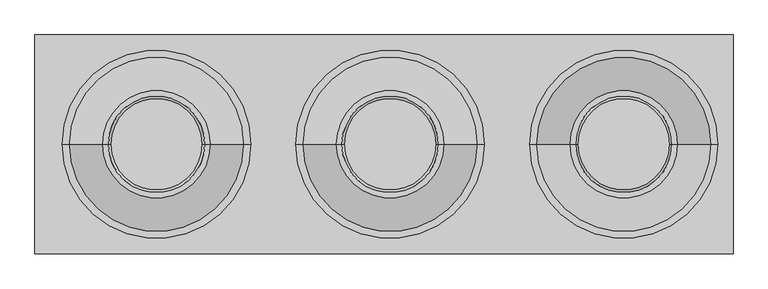
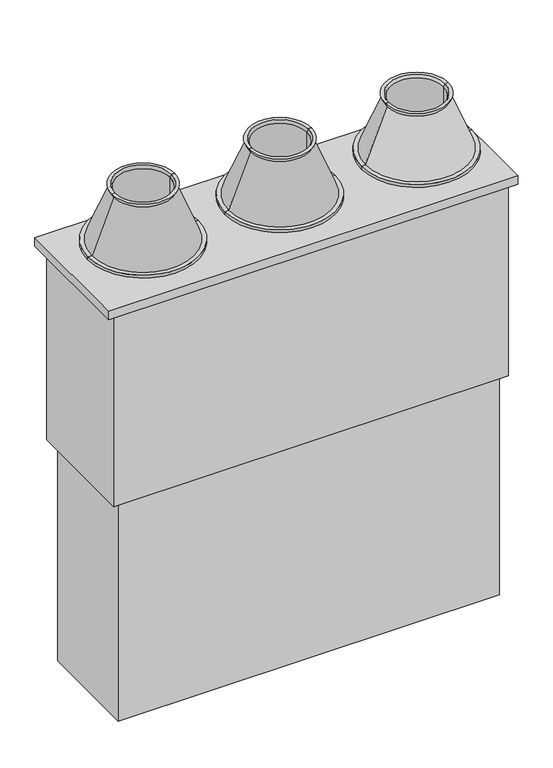
"""IFC4 building model written with IfcOpenShell, lengths in millimetres: proxy geometry."""

from ifc_helpers import new_model, si_unit, point, frame, frame_2d, origin, origin_with_axes, place, context, project, spatial, polyline, circle_curve, trimmed, segment, composite_curve, outline, extrude, source, transform, mapped, element, save
from ifc_brep_helpers import plane_surface, cylinder_surface, revolved_surface, advanced_brep


def specialty_equipment_88ef6bea(model_context):
    return source(origin(), model_context, "Body", "SolidModel", [
        advanced_brep(
        [(-807.3879533, 0.0, 1530.0), (-602.6120467, 0.0, 1530.0), (-612.6120467, 0.0, 1530.0), (-797.3879533, 0.0, 1530.0), (-807.3879533, 0.0, 1731.9294371), (-602.6120467, 0.0, 1731.9294371), (-894.5236523, 0.0, 1565.0000007), (-515.4763477, 0.0, 1565.0000007), (-536.2378544, 0.0, 1565.0000007), (-873.7621456, 0.0, 1565.0000007), (-894.5236523, 0.0, 1575.0000007), (-515.4763477, 0.0, 1575.0000007), (-880.5474697, 0.0, 1575.0000007), (-529.4525303, 0.0, 1575.0000007), (-806.5743344, 0.0, 1761.0405891), (-603.4256656, 0.0, 1761.0405891), (-802.007355, 0.0, 1775.0000096), (-607.992645, 0.0, 1775.0000096), (-596.9772542, 0.0, 1775.0000096), (-813.0227458, 0.0, 1775.0000096), (-797.3879533, 0.0, 1765.0000007), (-612.6120467, 0.0, 1765.0000007)],
        [
            (0, 1, circle_curve(frame((-705.0, 0.0, 1530.0), z_axis=(0.0, 0.0, -1.0), x_axis=(1.0, 0.0, 0.0)), 102.3879533)),
            (1, 2),
            (2, 3, circle_curve(frame((-705.0, 0.0, 1530.0), z_axis=(0.0, 0.0, 1.0), x_axis=(1.0, 0.0, 0.0)), 92.3879533)),
            (3, 0),
            (1, 0, circle_curve(frame((-705.0, 0.0, 1530.0), z_axis=(0.0, 0.0, -1.0), x_axis=(1.0, 0.0, 0.0)), 102.3879533)),
            (3, 2, circle_curve(frame((-705.0, 0.0, 1530.0), z_axis=(0.0, 0.0, 1.0), x_axis=(1.0, 0.0, 0.0)), 92.3879533)),
            (4, 5, circle_curve(frame((-705.0, 0.0, 1731.9294371), z_axis=(0.0, 0.0, -1.0), x_axis=(1.0, 0.0, 0.0)), 102.3879533)),
            (5, 1),
            (0, 4),
            (5, 4, circle_curve(frame((-705.0, 0.0, 1731.9294371), z_axis=(0.0, 0.0, -1.0), x_axis=(1.0, 0.0, 0.0)), 102.3879533)),
            (6, 7, circle_curve(frame((-705.0, 0.0, 1565.0000007), z_axis=(0.0, 0.0, -1.0), x_axis=(1.0, 0.0, 0.0)), 189.5236523)),
            (7, 8),
            (8, 9, circle_curve(frame((-705.0, 0.0, 1565.0000007), z_axis=(0.0, 0.0, 1.0), x_axis=(1.0, 0.0, 0.0)), 168.7621456)),
            (9, 6),
            (7, 6, circle_curve(frame((-705.0, 0.0, 1565.0000007), z_axis=(0.0, 0.0, -1.0), x_axis=(1.0, 0.0, 0.0)), 189.5236523)),
            (9, 8, circle_curve(frame((-705.0, 0.0, 1565.0000007), z_axis=(0.0, 0.0, 1.0), x_axis=(1.0, 0.0, 0.0)), 168.7621456)),
            (10, 11, circle_curve(frame((-705.0, 0.0, 1575.0000007), z_axis=(0.0, 0.0, -1.0), x_axis=(1.0, 0.0, 0.0)), 189.5236523)),
            (11, 7),
            (6, 10),
            (11, 10, circle_curve(frame((-705.0, 0.0, 1575.0000007), z_axis=(0.0, 0.0, -1.0), x_axis=(1.0, 0.0, 0.0)), 189.5236523)),
            (12, 13, circle_curve(frame((-705.0, 0.0, 1575.0000007), z_axis=(0.0, 0.0, -1.0), x_axis=(1.0, 0.0, 0.0)), 175.5474697)),
            (13, 11),
            (10, 12),
            (13, 12, circle_curve(frame((-705.0, 0.0, 1575.0000007), z_axis=(0.0, 0.0, -1.0), x_axis=(1.0, 0.0, 0.0)), 175.5474697)),
            (14, 15, circle_curve(frame((-705.0, 0.0, 1761.0405891), z_axis=(0.0, 0.0, -1.0), x_axis=(1.0, 0.0, 0.0)), 101.5743344)),
            (15, 13),
            (12, 14),
            (15, 14, circle_curve(frame((-705.0, 0.0, 1761.0405891), z_axis=(0.0, 0.0, -1.0), x_axis=(1.0, 0.0, 0.0)), 101.5743344)),
            (16, 17, circle_curve(frame((-705.0, 0.0, 1775.0000096), z_axis=(0.0, 0.0, -1.0), x_axis=(1.0, 0.0, 0.0)), 97.007355)),
            (17, 18),
            (18, 19, circle_curve(frame((-705.0, 0.0, 1775.0000096), z_axis=(0.0, 0.0, 1.0), x_axis=(1.0, 0.0, 0.0)), 108.0227458)),
            (19, 16),
            (17, 16, circle_curve(frame((-705.0, 0.0, 1775.0000096), z_axis=(0.0, 0.0, -1.0), x_axis=(1.0, 0.0, 0.0)), 97.007355)),
            (19, 18, circle_curve(frame((-705.0, 0.0, 1775.0000096), z_axis=(0.0, 0.0, 1.0), x_axis=(1.0, 0.0, 0.0)), 108.0227458)),
            (20, 21, circle_curve(frame((-705.0, 0.0, 1765.0000007), z_axis=(0.0, 0.0, -1.0), x_axis=(1.0, 0.0, 0.0)), 92.3879533)),
            (21, 17),
            (16, 20),
            (21, 20, circle_curve(frame((-705.0, 0.0, 1765.0000007), z_axis=(0.0, 0.0, -1.0), x_axis=(1.0, 0.0, 0.0)), 92.3879533)),
            (2, 21),
            (20, 3),
            (8, 5),
            (4, 9),
            (18, 15),
            (14, 19),
        ],
        [
            plane_surface(frame((-705.0, 0.0, 1530.0), z_axis=(0.0, 0.0, -1.0), x_axis=(1.0, 0.0, 0.0))),
            cylinder_surface(frame((-705.0, 0.0, 1515.0000096), z_axis=(0.0, 0.0, 1.0), x_axis=(1.0, 0.0, 0.0)), 102.3879533),
            plane_surface(frame((-705.0, 0.0, 1565.0000007), z_axis=(0.0, 0.0, -1.0), x_axis=(1.0, 0.0, 0.0))),
            cylinder_surface(frame((-705.0, 0.0, 1515.0000096), z_axis=(0.0, 0.0, 1.0), x_axis=(1.0, 0.0, 0.0)), 189.5236523),
            plane_surface(frame((-705.0, 0.0, 1575.0000007), z_axis=(0.0, 0.0, 1.0), x_axis=(1.0, 0.0, 0.0))),
            revolved_surface(polyline([(-529.4525303, 0.0, 1575.0000007), (-603.4256656, 0.0, 1761.0405891)]), (-705.0, 0.0, 1515.0000096), (0.0, 0.0, 1.0)),
            plane_surface(frame((-705.0, 0.0, 1775.0000096), z_axis=(0.0, 0.0, 1.0), x_axis=(1.0, 0.0, 0.0))),
            revolved_surface(polyline([(-607.992645, 0.0, 1775.0000096), (-612.6120467, 0.0, 1765.0000007)]), (-705.0, 0.0, 1515.0000096), (0.0, 0.0, 1.0)),
            revolved_surface(polyline([(-612.6120467, 0.0, 1765.0000007), (-612.6120467, 0.0, 1530.0)]), (-705.0, 0.0, 1515.0000096), (0.0, 0.0, 1.0)),
            revolved_surface(polyline([(-602.6120467, 0.0, 1731.9294371), (-536.2378544, 0.0, 1565.0000007)]), (-705.0, 0.0, 1515.0000096), (0.0, 0.0, 1.0)),
            revolved_surface(polyline([(-603.4256656, 0.0, 1761.0405891), (-596.9772542, 0.0, 1775.0000096)]), (-705.0, 0.0, 1515.0000096), (0.0, 0.0, 1.0)),
        ],
        [
            (0, [[1, 2, 3, 4]]),
            (0, [[5, -4, 6, -2]]),
            (1, [[7, 8, -1, 9]]),
            (1, [[10, -9, -5, -8]]),
            (2, [[11, 12, 13, 14]]),
            (2, [[15, -14, 16, -12]]),
            (3, [[17, 18, -11, 19]]),
            (3, [[20, -19, -15, -18]]),
            (4, [[21, 22, -17, 23]]),
            (4, [[24, -23, -20, -22]]),
            (5, [[25, 26, -21, 27]]),
            (5, [[28, -27, -24, -26]]),
            (6, [[29, 30, 31, 32]]),
            (6, [[33, -32, 34, -30]]),
            (7, [[35, 36, -29, 37]]),
            (7, [[38, -37, -33, -36]]),
            (8, [[-3, 39, -35, 40]]),
            (8, [[-6, -40, -38, -39]]),
            (9, [[-13, 41, -7, 42]]),
            (9, [[-16, -42, -10, -41]]),
            (10, [[-31, 43, -25, 44]]),
            (10, [[-34, -44, -28, -43]]),
        ],
    ),
        advanced_brep(
        [(337.3879533, 0.0, 1530.0), (327.3879533, 0.0, 1530.0), (142.6120467, 0.0, 1530.0), (132.6120467, 0.0, 1530.0), (337.3879533, 0.0, 1731.9294371), (132.6120467, 0.0, 1731.9294371), (424.5236523, 0.0, 1565.0000007), (403.7621456, 0.0, 1565.0000007), (66.2378544, 0.0, 1565.0000007), (45.4763477, 0.0, 1565.0000007), (424.5236523, 0.0, 1575.0000007), (45.4763477, 0.0, 1575.0000007), (410.5474697, 0.0, 1575.0000007), (59.4525303, 0.0, 1575.0000007), (336.5743344, 0.0, 1761.0405891), (133.4256656, 0.0, 1761.0405891), (332.007355, 0.0, 1775.0000096), (343.0227458, 0.0, 1775.0000096), (126.9772542, 0.0, 1775.0000096), (137.992645, 0.0, 1775.0000096), (327.3879533, 0.0, 1765.0000007), (142.6120467, 0.0, 1765.0000007)],
        [
            (0, 1),
            (1, 2, circle_curve(frame((235.0, 0.0, 1530.0), z_axis=(0.0, 0.0, 1.0), x_axis=(-1.0, 0.0, 0.0)), 92.3879533)),
            (2, 3),
            (3, 0, circle_curve(frame((235.0, 0.0, 1530.0), z_axis=(0.0, 0.0, -1.0), x_axis=(-1.0, 0.0, 0.0)), 102.3879533)),
            (2, 1, circle_curve(frame((235.0, 0.0, 1530.0), z_axis=(0.0, 0.0, 1.0), x_axis=(-1.0, 0.0, 0.0)), 92.3879533)),
            (0, 3, circle_curve(frame((235.0, 0.0, 1530.0), z_axis=(0.0, 0.0, -1.0), x_axis=(-1.0, 0.0, 0.0)), 102.3879533)),
            (4, 0),
            (3, 5),
            (5, 4, circle_curve(frame((235.0, 0.0, 1731.9294371), z_axis=(0.0, 0.0, -1.0), x_axis=(-1.0, 0.0, 0.0)), 102.3879533)),
            (4, 5, circle_curve(frame((235.0, 0.0, 1731.9294371), z_axis=(0.0, 0.0, -1.0), x_axis=(-1.0, 0.0, 0.0)), 102.3879533)),
            (6, 7),
            (7, 8, circle_curve(frame((235.0, 0.0, 1565.0000007), z_axis=(0.0, 0.0, 1.0), x_axis=(-1.0, 0.0, 0.0)), 168.7621456)),
            (8, 9),
            (9, 6, circle_curve(frame((235.0, 0.0, 1565.0000007), z_axis=(0.0, 0.0, -1.0), x_axis=(-1.0, 0.0, 0.0)), 189.5236523)),
            (8, 7, circle_curve(frame((235.0, 0.0, 1565.0000007), z_axis=(0.0, 0.0, 1.0), x_axis=(-1.0, 0.0, 0.0)), 168.7621456)),
            (6, 9, circle_curve(frame((235.0, 0.0, 1565.0000007), z_axis=(0.0, 0.0, -1.0), x_axis=(-1.0, 0.0, 0.0)), 189.5236523)),
            (10, 6),
            (9, 11),
            (11, 10, circle_curve(frame((235.0, 0.0, 1575.0000007), z_axis=(0.0, 0.0, -1.0), x_axis=(-1.0, 0.0, 0.0)), 189.5236523)),
            (10, 11, circle_curve(frame((235.0, 0.0, 1575.0000007), z_axis=(0.0, 0.0, -1.0), x_axis=(-1.0, 0.0, 0.0)), 189.5236523)),
            (12, 10),
            (11, 13),
            (13, 12, circle_curve(frame((235.0, 0.0, 1575.0000007), z_axis=(0.0, 0.0, -1.0), x_axis=(-1.0, 0.0, 0.0)), 175.5474697)),
            (12, 13, circle_curve(frame((235.0, 0.0, 1575.0000007), z_axis=(0.0, 0.0, -1.0), x_axis=(-1.0, 0.0, 0.0)), 175.5474697)),
            (14, 12),
            (13, 15),
            (15, 14, circle_curve(frame((235.0, 0.0, 1761.0405891), z_axis=(0.0, 0.0, -1.0), x_axis=(-1.0, 0.0, 0.0)), 101.5743344)),
            (14, 15, circle_curve(frame((235.0, 0.0, 1761.0405891), z_axis=(0.0, 0.0, -1.0), x_axis=(-1.0, 0.0, 0.0)), 101.5743344)),
            (16, 17),
            (17, 18, circle_curve(frame((235.0, 0.0, 1775.0000096), z_axis=(0.0, 0.0, 1.0), x_axis=(-1.0, 0.0, 0.0)), 108.0227458)),
            (18, 19),
            (19, 16, circle_curve(frame((235.0, 0.0, 1775.0000096), z_axis=(0.0, 0.0, -1.0), x_axis=(-1.0, 0.0, 0.0)), 97.007355)),
            (18, 17, circle_curve(frame((235.0, 0.0, 1775.0000096), z_axis=(0.0, 0.0, 1.0), x_axis=(-1.0, 0.0, 0.0)), 108.0227458)),
            (16, 19, circle_curve(frame((235.0, 0.0, 1775.0000096), z_axis=(0.0, 0.0, -1.0), x_axis=(-1.0, 0.0, 0.0)), 97.007355)),
            (20, 16),
            (19, 21),
            (21, 20, circle_curve(frame((235.0, 0.0, 1765.0000007), z_axis=(0.0, 0.0, -1.0), x_axis=(-1.0, 0.0, 0.0)), 92.3879533)),
            (20, 21, circle_curve(frame((235.0, 0.0, 1765.0000007), z_axis=(0.0, 0.0, -1.0), x_axis=(-1.0, 0.0, 0.0)), 92.3879533)),
            (1, 20),
            (21, 2),
            (7, 4),
            (5, 8),
            (17, 14),
            (15, 18),
        ],
        [
            plane_surface(frame((235.0, 0.0, 1530.0), z_axis=(0.0, 0.0, -1.0), x_axis=(-1.0, 0.0, 0.0))),
            cylinder_surface(frame((235.0, 0.0, 1515.0000096), z_axis=(0.0, 0.0, 1.0), x_axis=(-1.0, 0.0, 0.0)), 102.3879533),
            plane_surface(frame((235.0, 0.0, 1565.0000007), z_axis=(0.0, 0.0, -1.0), x_axis=(-1.0, 0.0, 0.0))),
            cylinder_surface(frame((235.0, 0.0, 1515.0000096), z_axis=(0.0, 0.0, 1.0), x_axis=(-1.0, 0.0, 0.0)), 189.5236523),
            plane_surface(frame((235.0, 0.0, 1575.0000007), z_axis=(0.0, 0.0, 1.0), x_axis=(-1.0, 0.0, 0.0))),
            revolved_surface(polyline([(59.4525303, 0.0, 1575.0000007), (133.4256656, 0.0, 1761.0405891)]), (235.0, 0.0, 1515.0000096), (0.0, 0.0, 1.0)),
            plane_surface(frame((235.0, 0.0, 1775.0000096), z_axis=(0.0, 0.0, 1.0), x_axis=(-1.0, 0.0, 0.0))),
            revolved_surface(polyline([(137.992645, 0.0, 1775.0000096), (142.6120467, 0.0, 1765.0000007)]), (235.0, 0.0, 1515.0000096), (0.0, 0.0, 1.0)),
            revolved_surface(polyline([(142.6120467, 0.0, 1765.0000007), (142.6120467, 0.0, 1530.0)]), (235.0, 0.0, 1515.0000096), (0.0, 0.0, 1.0)),
            revolved_surface(polyline([(132.6120467, 0.0, 1731.9294371), (66.2378544, 0.0, 1565.0000007)]), (235.0, 0.0, 1515.0000096), (0.0, 0.0, 1.0)),
            revolved_surface(polyline([(133.4256656, 0.0, 1761.0405891), (126.9772542, 0.0, 1775.0000096)]), (235.0, 0.0, 1515.0000096), (0.0, 0.0, 1.0)),
        ],
        [
            (0, [[1, 2, 3, 4]]),
            (0, [[-3, 5, -1, 6]]),
            (1, [[7, -4, 8, 9]]),
            (1, [[-8, -6, -7, 10]]),
            (2, [[11, 12, 13, 14]]),
            (2, [[-13, 15, -11, 16]]),
            (3, [[17, -14, 18, 19]]),
            (3, [[-18, -16, -17, 20]]),
            (4, [[21, -19, 22, 23]]),
            (4, [[-22, -20, -21, 24]]),
            (5, [[25, -23, 26, 27]]),
            (5, [[-26, -24, -25, 28]]),
            (6, [[29, 30, 31, 32]]),
            (6, [[-31, 33, -29, 34]]),
            (7, [[35, -32, 36, 37]]),
            (7, [[-36, -34, -35, 38]]),
            (8, [[39, -37, 40, -2]]),
            (8, [[-40, -38, -39, -5]]),
            (9, [[41, -9, 42, -12]]),
            (9, [[-42, -10, -41, -15]]),
            (10, [[43, -27, 44, -30]]),
            (10, [[-44, -28, -43, -33]]),
        ],
    ),
        advanced_brep(
        [(-337.3879533, 0.0, 1530.0), (-132.6120467, 0.0, 1530.0), (-142.6120467, 0.0, 1530.0), (-327.3879533, 0.0, 1530.0), (-337.3879533, 0.0, 1731.9294371), (-132.6120467, 0.0, 1731.9294371), (-424.5236523, 0.0, 1565.0000007), (-45.4763477, 0.0, 1565.0000007), (-66.2378544, 0.0, 1565.0000007), (-403.7621456, 0.0, 1565.0000007), (-424.5236523, 0.0, 1575.0000007), (-45.4763477, 0.0, 1575.0000007), (-410.5474697, 0.0, 1575.0000007), (-59.4525303, 0.0, 1575.0000007), (-336.5743344, 0.0, 1761.0405891), (-133.4256656, 0.0, 1761.0405891), (-332.007355, 0.0, 1775.0000096), (-137.992645, 0.0, 1775.0000096), (-126.9772542, 0.0, 1775.0000096), (-343.0227458, 0.0, 1775.0000096), (-327.3879533, 0.0, 1765.0000007), (-142.6120467, 0.0, 1765.0000007)],
        [
            (0, 1, circle_curve(frame((-235.0, 0.0, 1530.0), z_axis=(0.0, 0.0, -1.0), x_axis=(1.0, 0.0, 0.0)), 102.3879533)),
            (1, 2),
            (2, 3, circle_curve(frame((-235.0, 0.0, 1530.0), z_axis=(0.0, 0.0, 1.0), x_axis=(1.0, 0.0, 0.0)), 92.3879533)),
            (3, 0),
            (1, 0, circle_curve(frame((-235.0, 0.0, 1530.0), z_axis=(0.0, 0.0, -1.0), x_axis=(1.0, 0.0, 0.0)), 102.3879533)),
            (3, 2, circle_curve(frame((-235.0, 0.0, 1530.0), z_axis=(0.0, 0.0, 1.0), x_axis=(1.0, 0.0, 0.0)), 92.3879533)),
            (4, 5, circle_curve(frame((-235.0, 0.0, 1731.9294371), z_axis=(0.0, 0.0, -1.0), x_axis=(1.0, 0.0, 0.0)), 102.3879533)),
            (5, 1),
            (0, 4),
            (5, 4, circle_curve(frame((-235.0, 0.0, 1731.9294371), z_axis=(0.0, 0.0, -1.0), x_axis=(1.0, 0.0, 0.0)), 102.3879533)),
            (6, 7, circle_curve(frame((-235.0, 0.0, 1565.0000007), z_axis=(0.0, 0.0, -1.0), x_axis=(1.0, 0.0, 0.0)), 189.5236523)),
            (7, 8),
            (8, 9, circle_curve(frame((-235.0, 0.0, 1565.0000007), z_axis=(0.0, 0.0, 1.0), x_axis=(1.0, 0.0, 0.0)), 168.7621456)),
            (9, 6),
            (7, 6, circle_curve(frame((-235.0, 0.0, 1565.0000007), z_axis=(0.0, 0.0, -1.0), x_axis=(1.0, 0.0, 0.0)), 189.5236523)),
            (9, 8, circle_curve(frame((-235.0, 0.0, 1565.0000007), z_axis=(0.0, 0.0, 1.0), x_axis=(1.0, 0.0, 0.0)), 168.7621456)),
            (10, 11, circle_curve(frame((-235.0, 0.0, 1575.0000007), z_axis=(0.0, 0.0, -1.0), x_axis=(1.0, 0.0, 0.0)), 189.5236523)),
            (11, 7),
            (6, 10),
            (11, 10, circle_curve(frame((-235.0, 0.0, 1575.0000007), z_axis=(0.0, 0.0, -1.0), x_axis=(1.0, 0.0, 0.0)), 189.5236523)),
            (12, 13, circle_curve(frame((-235.0, 0.0, 1575.0000007), z_axis=(0.0, 0.0, -1.0), x_axis=(1.0, 0.0, 0.0)), 175.5474697)),
            (13, 11),
            (10, 12),
            (13, 12, circle_curve(frame((-235.0, 0.0, 1575.0000007), z_axis=(0.0, 0.0, -1.0), x_axis=(1.0, 0.0, 0.0)), 175.5474697)),
            (14, 15, circle_curve(frame((-235.0, 0.0, 1761.0405891), z_axis=(0.0, 0.0, -1.0), x_axis=(1.0, 0.0, 0.0)), 101.5743344)),
            (15, 13),
            (12, 14),
            (15, 14, circle_curve(frame((-235.0, 0.0, 1761.0405891), z_axis=(0.0, 0.0, -1.0), x_axis=(1.0, 0.0, 0.0)), 101.5743344)),
            (16, 17, circle_curve(frame((-235.0, 0.0, 1775.0000096), z_axis=(0.0, 0.0, -1.0), x_axis=(1.0, 0.0, 0.0)), 97.007355)),
            (17, 18),
            (18, 19, circle_curve(frame((-235.0, 0.0, 1775.0000096), z_axis=(0.0, 0.0, 1.0), x_axis=(1.0, 0.0, 0.0)), 108.0227458)),
            (19, 16),
            (17, 16, circle_curve(frame((-235.0, 0.0, 1775.0000096), z_axis=(0.0, 0.0, -1.0), x_axis=(1.0, 0.0, 0.0)), 97.007355)),
            (19, 18, circle_curve(frame((-235.0, 0.0, 1775.0000096), z_axis=(0.0, 0.0, 1.0), x_axis=(1.0, 0.0, 0.0)), 108.0227458)),
            (20, 21, circle_curve(frame((-235.0, 0.0, 1765.0000007), z_axis=(0.0, 0.0, -1.0), x_axis=(1.0, 0.0, 0.0)), 92.3879533)),
            (21, 17),
            (16, 20),
            (21, 20, circle_curve(frame((-235.0, 0.0, 1765.0000007), z_axis=(0.0, 0.0, -1.0), x_axis=(1.0, 0.0, 0.0)), 92.3879533)),
            (2, 21),
            (20, 3),
            (8, 5),
            (4, 9),
            (18, 15),
            (14, 19),
        ],
        [
            plane_surface(frame((-235.0, 0.0, 1530.0), z_axis=(0.0, 0.0, -1.0), x_axis=(1.0, 0.0, 0.0))),
            cylinder_surface(frame((-235.0, 0.0, 1515.0000096), z_axis=(0.0, 0.0, 1.0), x_axis=(1.0, 0.0, 0.0)), 102.3879533),
            plane_surface(frame((-235.0, 0.0, 1565.0000007), z_axis=(0.0, 0.0, -1.0), x_axis=(1.0, 0.0, 0.0))),
            cylinder_surface(frame((-235.0, 0.0, 1515.0000096), z_axis=(0.0, 0.0, 1.0), x_axis=(1.0, 0.0, 0.0)), 189.5236523),
            plane_surface(frame((-235.0, 0.0, 1575.0000007), z_axis=(0.0, 0.0, 1.0), x_axis=(1.0, 0.0, 0.0))),
            revolved_surface(polyline([(-59.4525303, 0.0, 1575.0000007), (-133.4256656, 0.0, 1761.0405891)]), (-235.0, 0.0, 1515.0000096), (0.0, 0.0, 1.0)),
            plane_surface(frame((-235.0, 0.0, 1775.0000096), z_axis=(0.0, 0.0, 1.0), x_axis=(1.0, 0.0, 0.0))),
            revolved_surface(polyline([(-137.992645, 0.0, 1775.0000096), (-142.6120467, 0.0, 1765.0000007)]), (-235.0, 0.0, 1515.0000096), (0.0, 0.0, 1.0)),
            revolved_surface(polyline([(-142.6120467, 0.0, 1765.0000007), (-142.6120467, 0.0, 1530.0)]), (-235.0, 0.0, 1515.0000096), (0.0, 0.0, 1.0)),
            revolved_surface(polyline([(-132.6120467, 0.0, 1731.9294371), (-66.2378544, 0.0, 1565.0000007)]), (-235.0, 0.0, 1515.0000096), (0.0, 0.0, 1.0)),
            revolved_surface(polyline([(-133.4256656, 0.0, 1761.0405891), (-126.9772542, 0.0, 1775.0000096)]), (-235.0, 0.0, 1515.0000096), (0.0, 0.0, 1.0)),
        ],
        [
            (0, [[1, 2, 3, 4]]),
            (0, [[5, -4, 6, -2]]),
            (1, [[7, 8, -1, 9]]),
            (1, [[10, -9, -5, -8]]),
            (2, [[11, 12, 13, 14]]),
            (2, [[15, -14, 16, -12]]),
            (3, [[17, 18, -11, 19]]),
            (3, [[20, -19, -15, -18]]),
            (4, [[21, 22, -17, 23]]),
            (4, [[24, -23, -20, -22]]),
            (5, [[25, 26, -21, 27]]),
            (5, [[28, -27, -24, -26]]),
            (6, [[29, 30, 31, 32]]),
            (6, [[33, -32, 34, -30]]),
            (7, [[35, 36, -29, 37]]),
            (7, [[38, -37, -33, -36]]),
            (8, [[-3, 39, -35, 40]]),
            (8, [[-6, -40, -38, -39]]),
            (9, [[-13, 41, -7, 42]]),
            (9, [[-16, -42, -10, -41]]),
            (10, [[-31, 43, -25, 44]]),
            (10, [[-34, -44, -28, -43]]),
        ],
    ),
        extrude(outline(composite_curve([segment(trimmed(circle_curve(frame_2d((-705.0, 0.0)), 80.0), [point((-785.0, 0.0))], [point((-625.0, 0.0))], False, "CARTESIAN"), True, "CONTINUOUS"), segment(trimmed(circle_curve(frame_2d((-705.0, 0.0)), 80.0), [point((-625.0, 0.0))], [point((-785.0, 0.0))], False, "CARTESIAN"), True, "CONTINUOUS")], self_intersect=False), holes=[composite_curve([segment(trimmed(circle_curve(frame_2d((-705.0, 0.0)), 70.0), [point((-775.0, 0.0))], [point((-635.0, 0.0))], True, "CARTESIAN"), True, "CONTINUOUS"), segment(trimmed(circle_curve(frame_2d((-705.0, 0.0)), 70.0), [point((-635.0, 0.0))], [point((-775.0, 0.0))], True, "CARTESIAN"), True, "CONTINUOUS")], self_intersect=False)]), origin_with_axes(), (0.0, 0.0, 1.0), 1500.0),
        extrude(outline(polyline([(415.0, 180.0), (415.0, -180.0), (-895.0, -180.0), (-895.0, 180.0), (415.0, 180.0)]), holes=[composite_curve([segment(polyline([(-832.8215491, -57.110871), (-846.4213562, -70.7106781), (-846.4213562, -98.9949494), (-803.9949494, -141.4213562), (-775.7106781, -141.4213562), (-762.110871, -127.8215491)]), True, "CONTINUOUS"), segment(trimmed(circle_curve(frame_2d((-705.0, 0.0)), 140.0), [point((-762.110871, -127.8215491))], [point((-647.889129, -127.8215491))], True, "CARTESIAN"), True, "CONTINUOUS"), segment(polyline([(-647.889129, -127.8215491), (-634.2893219, -141.4213562), (-606.0050506, -141.4213562), (-563.5786438, -98.9949494), (-563.5786438, -70.7106781), (-577.1784509, -57.110871)]), True, "CONTINUOUS"), segment(trimmed(circle_curve(frame_2d((-705.0, 0.0)), 140.0), [point((-577.1784509, -57.110871))], [point((-577.1784509, 57.110871))], True, "CARTESIAN"), True, "CONTINUOUS"), segment(polyline([(-577.1784509, 57.110871), (-563.5786438, 70.7106781), (-563.5786438, 98.9949494), (-606.0050506, 141.4213562), (-634.2893219, 141.4213562), (-647.889129, 127.8215491)]), True, "CONTINUOUS"), segment(trimmed(circle_curve(frame_2d((-705.0, 0.0)), 140.0), [point((-647.889129, 127.8215491))], [point((-762.110871, 127.8215491))], True, "CARTESIAN"), True, "CONTINUOUS"), segment(polyline([(-762.110871, 127.8215491), (-775.7106781, 141.4213562), (-803.9949494, 141.4213562), (-846.4213562, 98.9949494), (-846.4213562, 70.7106781), (-832.8215491, 57.110871)]), True, "CONTINUOUS"), segment(trimmed(circle_curve(frame_2d((-705.0, 0.0)), 140.0), [point((-832.8215491, 57.110871))], [point((-832.8215491, -57.110871))], True, "CARTESIAN"), True, "CONTINUOUS")], self_intersect=False), composite_curve([segment(trimmed(circle_curve(frame_2d((-850.2798794, 145.2798794)), 15.0), [point((-865.2798794, 145.2798794))], [point((-835.2798794, 145.2798794))], True, "CARTESIAN"), True, "CONTINUOUS"), segment(trimmed(circle_curve(frame_2d((-850.2798794, 145.2798794)), 15.0), [point((-835.2798794, 145.2798794))], [point((-865.2798794, 145.2798794))], True, "CARTESIAN"), True, "CONTINUOUS")], self_intersect=False), composite_curve([segment(trimmed(circle_curve(frame_2d((-850.2798794, -145.2798794)), 15.0), [point((-865.2798794, -145.2798794))], [point((-835.2798794, -145.2798794))], True, "CARTESIAN"), True, "CONTINUOUS"), segment(trimmed(circle_curve(frame_2d((-850.2798794, -145.2798794)), 15.0), [point((-835.2798794, -145.2798794))], [point((-865.2798794, -145.2798794))], True, "CARTESIAN"), True, "CONTINUOUS")], self_intersect=False), composite_curve([segment(trimmed(circle_curve(frame_2d((-415.0, -109.1624358)), 20.0), [point((-415.0, -129.1624358))], [point((-395.0, -109.1624358))], True, "CARTESIAN"), True, "CONTINUOUS"), segment(polyline([(-395.0, -109.1624358), (-395.0, 110.0)]), True, "CONTINUOUS"), segment(trimmed(circle_curve(frame_2d((-415.0, 110.0)), 20.0), [point((-395.0, 110.0))], [point((-415.0, 130.0))], True, "CARTESIAN"), True, "CONTINUOUS"), segment(polyline([(-415.0, 130.0), (-525.0, 130.0)]), True, "CONTINUOUS"), segment(trimmed(circle_curve(frame_2d((-525.0, 110.0)), 20.0), [point((-525.0, 130.0))], [point((-545.0, 110.0))], True, "CARTESIAN"), True, "CONTINUOUS"), segment(polyline([(-545.0, 110.0), (-545.0, -109.1624358)]), True, "CONTINUOUS"), segment(trimmed(circle_curve(frame_2d((-525.0, -109.1624358)), 20.0), [point((-545.0, -109.1624358))], [point((-525.0, -129.1624358))], True, "CARTESIAN"), True, "CONTINUOUS"), segment(polyline([(-525.0, -129.1624358), (-415.0, -129.1624358)]), True, "CONTINUOUS")], self_intersect=False), composite_curve([segment(trimmed(circle_curve(frame_2d((-235.0, 0.0)), 140.0), [point((-107.1784509, -57.110871))], [point((-107.1784509, 57.110871))], True, "CARTESIAN"), True, "CONTINUOUS"), segment(polyline([(-107.1784509, 57.110871), (-93.5786438, 70.7106781), (-93.5786438, 98.9949494), (-136.0050506, 141.4213562), (-164.2893219, 141.4213562), (-177.889129, 127.8215491)]), True, "CONTINUOUS"), segment(trimmed(circle_curve(frame_2d((-235.0, 0.0)), 140.0), [point((-177.889129, 127.8215491))], [point((-292.110871, 127.8215491))], True, "CARTESIAN"), True, "CONTINUOUS"), segment(polyline([(-292.110871, 127.8215491), (-305.7106781, 141.4213562), (-333.9949494, 141.4213562), (-376.4213562, 98.9949494), (-376.4213562, 70.7106781), (-362.8215491, 57.110871)]), True, "CONTINUOUS"), segment(trimmed(circle_curve(frame_2d((-235.0, 0.0)), 140.0), [point((-362.8215491, 57.110871))], [point((-362.8215491, -57.110871))], True, "CARTESIAN"), True, "CONTINUOUS"), segment(polyline([(-362.8215491, -57.110871), (-376.4213562, -70.7106781), (-376.4213562, -98.9949494), (-333.9949494, -141.4213562), (-305.7106781, -141.4213562), (-292.110871, -127.8215491)]), True, "CONTINUOUS"), segment(trimmed(circle_curve(frame_2d((-235.0, 0.0)), 140.0), [point((-292.110871, -127.8215491))], [point((-177.889129, -127.8215491))], True, "CARTESIAN"), True, "CONTINUOUS"), segment(polyline([(-177.889129, -127.8215491), (-164.2893219, -141.4213562), (-136.0050506, -141.4213562), (-93.5786438, -98.9949494), (-93.5786438, -70.7106781), (-107.1784509, -57.110871)]), True, "CONTINUOUS")], self_intersect=False), composite_curve([segment(trimmed(circle_curve(frame_2d((-89.7201206, 145.2798794)), 15.0), [point((-74.7201206, 145.2798794))], [point((-104.7201206, 145.2798794))], True, "CARTESIAN"), True, "CONTINUOUS"), segment(trimmed(circle_curve(frame_2d((-89.7201206, 145.2798794)), 15.0), [point((-104.7201206, 145.2798794))], [point((-74.7201206, 145.2798794))], True, "CARTESIAN"), True, "CONTINUOUS")], self_intersect=False), composite_curve([segment(trimmed(circle_curve(frame_2d((-89.7201206, -145.2798794)), 15.0), [point((-74.7201206, -145.2798794))], [point((-104.7201206, -145.2798794))], True, "CARTESIAN"), True, "CONTINUOUS"), segment(trimmed(circle_curve(frame_2d((-89.7201206, -145.2798794)), 15.0), [point((-104.7201206, -145.2798794))], [point((-74.7201206, -145.2798794))], True, "CARTESIAN"), True, "CONTINUOUS")], self_intersect=False), composite_curve([segment(trimmed(circle_curve(frame_2d((235.0, 0.0)), 140.0), [point((362.8215491, -57.110871))], [point((362.8215491, 57.110871))], True, "CARTESIAN"), True, "CONTINUOUS"), segment(polyline([(362.8215491, 57.110871), (376.4213562, 70.7106781), (376.4213562, 98.9949494), (333.9949494, 141.4213562), (305.7106781, 141.4213562), (292.110871, 127.8215491)]), True, "CONTINUOUS"), segment(trimmed(circle_curve(frame_2d((235.0, 0.0)), 140.0), [point((292.110871, 127.8215491))], [point((177.889129, 127.8215491))], True, "CARTESIAN"), True, "CONTINUOUS"), segment(polyline([(177.889129, 127.8215491), (164.2893219, 141.4213562), (136.0050506, 141.4213562), (93.5786438, 98.9949494), (93.5786438, 70.7106781), (107.1784509, 57.110871)]), True, "CONTINUOUS"), segment(trimmed(circle_curve(frame_2d((235.0, 0.0)), 140.0), [point((107.1784509, 57.110871))], [point((107.1784509, -57.110871))], True, "CARTESIAN"), True, "CONTINUOUS"), segment(polyline([(107.1784509, -57.110871), (93.5786438, -70.7106781), (93.5786438, -98.9949494), (136.0050506, -141.4213562), (164.2893219, -141.4213562), (177.889129, -127.8215491)]), True, "CONTINUOUS"), segment(trimmed(circle_curve(frame_2d((235.0, 0.0)), 140.0), [point((177.889129, -127.8215491))], [point((292.110871, -127.8215491))], True, "CARTESIAN"), True, "CONTINUOUS"), segment(polyline([(292.110871, -127.8215491), (305.7106781, -141.4213562), (333.9949494, -141.4213562), (376.4213562, -98.9949494), (376.4213562, -70.7106781), (362.8215491, -57.110871)]), True, "CONTINUOUS")], self_intersect=False), composite_curve([segment(polyline([(-55.0, -129.1624358), (55.0, -129.1624358)]), True, "CONTINUOUS"), segment(trimmed(circle_curve(frame_2d((55.0, -109.1624358)), 20.0), [point((55.0, -129.1624358))], [point((75.0, -109.1624358))], True, "CARTESIAN"), True, "CONTINUOUS"), segment(polyline([(75.0, -109.1624358), (75.0, 110.0)]), True, "CONTINUOUS"), segment(trimmed(circle_curve(frame_2d((55.0, 110.0)), 20.0), [point((75.0, 110.0))], [point((55.0, 130.0))], True, "CARTESIAN"), True, "CONTINUOUS"), segment(polyline([(55.0, 130.0), (-55.0, 130.0)]), True, "CONTINUOUS"), segment(trimmed(circle_curve(frame_2d((-55.0, 110.0)), 20.0), [point((-55.0, 130.0))], [point((-75.0, 110.0))], True, "CARTESIAN"), True, "CONTINUOUS"), segment(polyline([(-75.0, 110.0), (-75.0, -109.1624358)]), True, "CONTINUOUS"), segment(trimmed(circle_curve(frame_2d((-55.0, -109.1624358)), 20.0), [point((-75.0, -109.1624358))], [point((-55.0, -129.1624358))], True, "CARTESIAN"), True, "CONTINUOUS")], self_intersect=False), composite_curve([segment(trimmed(circle_curve(frame_2d((380.2798794, 145.2798794)), 15.0), [point((395.2798794, 145.2798794))], [point((365.2798794, 145.2798794))], True, "CARTESIAN"), True, "CONTINUOUS"), segment(trimmed(circle_curve(frame_2d((380.2798794, 145.2798794)), 15.0), [point((365.2798794, 145.2798794))], [point((395.2798794, 145.2798794))], True, "CARTESIAN"), True, "CONTINUOUS")], self_intersect=False), composite_curve([segment(trimmed(circle_curve(frame_2d((380.2798794, -145.2798794)), 15.0), [point((395.2798794, -145.2798794))], [point((365.2798794, -145.2798794))], True, "CARTESIAN"), True, "CONTINUOUS"), segment(trimmed(circle_curve(frame_2d((380.2798794, -145.2798794)), 15.0), [point((365.2798794, -145.2798794))], [point((395.2798794, -145.2798794))], True, "CARTESIAN"), True, "CONTINUOUS")], self_intersect=False), composite_curve([segment(trimmed(circle_curve(frame_2d((-380.2798794, 145.2798794)), 15.0), [point((-395.2798794, 145.2798794))], [point((-365.2798794, 145.2798794))], True, "CARTESIAN"), True, "CONTINUOUS"), segment(trimmed(circle_curve(frame_2d((-380.2798794, 145.2798794)), 15.0), [point((-365.2798794, 145.2798794))], [point((-395.2798794, 145.2798794))], True, "CARTESIAN"), True, "CONTINUOUS")], self_intersect=False), composite_curve([segment(trimmed(circle_curve(frame_2d((-380.2798794, -145.2798794)), 15.0), [point((-395.2798794, -145.2798794))], [point((-365.2798794, -145.2798794))], True, "CARTESIAN"), True, "CONTINUOUS"), segment(trimmed(circle_curve(frame_2d((-380.2798794, -145.2798794)), 15.0), [point((-365.2798794, -145.2798794))], [point((-395.2798794, -145.2798794))], True, "CARTESIAN"), True, "CONTINUOUS")], self_intersect=False)]), origin_with_axes(), (0.0, 0.0, 1.0), 1500.0),
        extrude(outline(composite_curve([segment(trimmed(circle_curve(frame_2d((-705.0, 0.0)), 140.0), [point((-845.0, 0.0))], [point((-565.0, 0.0))], False, "CARTESIAN"), True, "CONTINUOUS"), segment(trimmed(circle_curve(frame_2d((-705.0, 0.0)), 140.0), [point((-565.0, 0.0))], [point((-845.0, 0.0))], False, "CARTESIAN"), True, "CONTINUOUS")], self_intersect=False), holes=[composite_curve([segment(trimmed(circle_curve(frame_2d((-705.0, 0.0)), 80.0), [point((-785.0, 0.0))], [point((-625.0, 0.0))], True, "CARTESIAN"), True, "CONTINUOUS"), segment(trimmed(circle_curve(frame_2d((-705.0, 0.0)), 80.0), [point((-625.0, 0.0))], [point((-785.0, 0.0))], True, "CARTESIAN"), True, "CONTINUOUS")], self_intersect=False)]), origin_with_axes(), (0.0, 0.0, 1.0), 1500.0),
        extrude(outline(composite_curve([segment(trimmed(circle_curve(frame_2d((235.0, 0.0)), 140.0), [point((375.0, 0.0))], [point((95.0, 0.0))], False, "CARTESIAN"), True, "CONTINUOUS"), segment(trimmed(circle_curve(frame_2d((235.0, 0.0)), 140.0), [point((95.0, 0.0))], [point((375.0, 0.0))], False, "CARTESIAN"), True, "CONTINUOUS")], self_intersect=False), holes=[composite_curve([segment(trimmed(circle_curve(frame_2d((235.0, 0.0)), 80.0), [point((315.0, 0.0))], [point((155.0, 0.0))], True, "CARTESIAN"), True, "CONTINUOUS"), segment(trimmed(circle_curve(frame_2d((235.0, 0.0)), 80.0), [point((155.0, 0.0))], [point((315.0, 0.0))], True, "CARTESIAN"), True, "CONTINUOUS")], self_intersect=False)]), origin_with_axes(), (0.0, 0.0, 1.0), 1500.0),
        extrude(outline(composite_curve([segment(trimmed(circle_curve(frame_2d((235.0, 0.0)), 80.0), [point((315.0, 0.0))], [point((155.0, 0.0))], False, "CARTESIAN"), True, "CONTINUOUS"), segment(trimmed(circle_curve(frame_2d((235.0, 0.0)), 80.0), [point((155.0, 0.0))], [point((315.0, 0.0))], False, "CARTESIAN"), True, "CONTINUOUS")], self_intersect=False), holes=[composite_curve([segment(trimmed(circle_curve(frame_2d((235.0, 0.0)), 70.0), [point((305.0, 0.0))], [point((165.0, 0.0))], True, "CARTESIAN"), True, "CONTINUOUS"), segment(trimmed(circle_curve(frame_2d((235.0, 0.0)), 70.0), [point((165.0, 0.0))], [point((305.0, 0.0))], True, "CARTESIAN"), True, "CONTINUOUS")], self_intersect=False)]), origin_with_axes(), (0.0, 0.0, 1.0), 1500.0),
        extrude(outline(composite_curve([segment(trimmed(circle_curve(frame_2d((-235.0, 0.0)), 140.0), [point((-375.0, 0.0))], [point((-95.0, 0.0))], False, "CARTESIAN"), True, "CONTINUOUS"), segment(trimmed(circle_curve(frame_2d((-235.0, 0.0)), 140.0), [point((-95.0, 0.0))], [point((-375.0, 0.0))], False, "CARTESIAN"), True, "CONTINUOUS")], self_intersect=False), holes=[composite_curve([segment(trimmed(circle_curve(frame_2d((-235.0, 0.0)), 80.0), [point((-315.0, 0.0))], [point((-155.0, 0.0))], True, "CARTESIAN"), True, "CONTINUOUS"), segment(trimmed(circle_curve(frame_2d((-235.0, 0.0)), 80.0), [point((-155.0, 0.0))], [point((-315.0, 0.0))], True, "CARTESIAN"), True, "CONTINUOUS")], self_intersect=False)]), origin_with_axes(), (0.0, 0.0, 1.0), 1500.0),
        extrude(outline(composite_curve([segment(trimmed(circle_curve(frame_2d((-235.0, 0.0)), 80.0), [point((-315.0, 0.0))], [point((-155.0, 0.0))], False, "CARTESIAN"), True, "CONTINUOUS"), segment(trimmed(circle_curve(frame_2d((-235.0, 0.0)), 80.0), [point((-155.0, 0.0))], [point((-315.0, 0.0))], False, "CARTESIAN"), True, "CONTINUOUS")], self_intersect=False), holes=[composite_curve([segment(trimmed(circle_curve(frame_2d((-235.0, 0.0)), 70.0), [point((-305.0, 0.0))], [point((-165.0, 0.0))], True, "CARTESIAN"), True, "CONTINUOUS"), segment(trimmed(circle_curve(frame_2d((-235.0, 0.0)), 70.0), [point((-165.0, 0.0))], [point((-305.0, 0.0))], True, "CARTESIAN"), True, "CONTINUOUS")], self_intersect=False)]), origin_with_axes(), (0.0, 0.0, 1.0), 1500.0),
        extrude(outline(polyline([(-949.5545107, -220.0), (-949.5545107, 220.0), (455.0, 220.0), (455.0, -220.0), (-949.5545107, -220.0)])), frame((0.0, 0.0, 1500.0), z_axis=(0.0, 0.0, 1.0), x_axis=(1.0, 0.0, 0.0)), (0.0, 0.0, 1.0), 30.0),
        extrude(outline(polyline([(435.0, 200.0), (435.0, -200.0), (-921.2740614, -200.0), (-921.2740614, 200.0), (435.0, 200.0)]), holes=[polyline([(415.0, 180.0), (-895.0, 180.0), (-895.0, -180.0), (415.0, -180.0), (415.0, 180.0)])]), frame((0.0, 0.0, 800.0), z_axis=(0.0, 0.0, 1.0), x_axis=(1.0, 0.0, 0.0)), (0.0, 0.0, 1.0), 700.0),
    ])


if __name__ == "__main__":
    model = new_model("IFC4")
    model_context = context("Model", 3, world=origin())
    ifc_project = project(units=[si_unit("LENGTHUNIT", "METRE", prefix="MILLI")], contexts=[model_context])
    site = spatial("IfcSite", under=ifc_project)
    building = spatial("IfcBuilding", under=site)
    placement = place(None, origin())
    specialty_equipment_shape = specialty_equipment_88ef6bea(model_context)
    element("IfcBuildingElementProxy", 1, Name="Specialty Equipment", at=placement, inside=building, context=model_context, shape_type="MappedRepresentation", body=[
        mapped(specialty_equipment_shape, transform((0.0, 0.0, 0.0), x_axis=(1.0, 0.0, 0.0), y_axis=(0.0, 1.0, 0.0), z_axis=(0.0, 0.0, 1.0))),
    ])
    save(model, "model.ifc")
